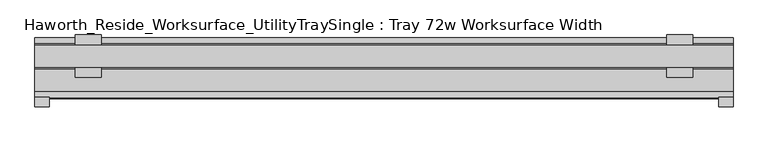
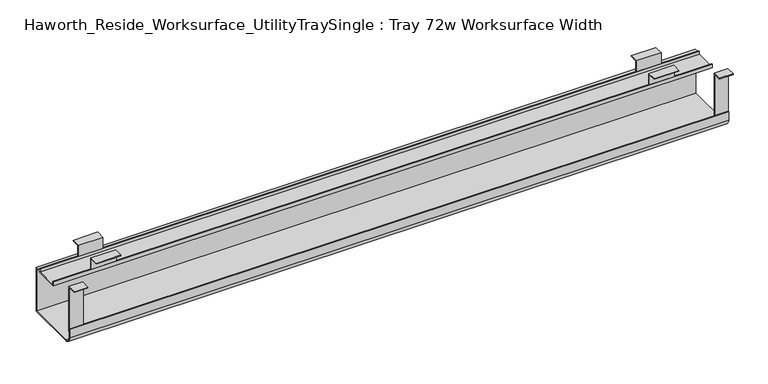
"""IFC4 building model written with IfcOpenShell, lengths in millimetres: furniture geometry, Haworth_Reside_Worksurface_UtilityTraySingle : Tray 72w Worksurface Width."""

from ifc_helpers import new_model, si_unit, point, frame, frame_2d, origin, place, context, project, spatial, polyline, circle_curve, trimmed, segment, composite_curve, outline, extrude, source, transform, mapped, element, save


def haworth_reside_worksurface_utilitytraysingle_tray_72w_bf733f7c(model_context):
    return source(origin(), model_context, "Body", "SweptSolid", [
        extrude(outline(polyline([(85.2804983, 731.8375), (85.2804983, 705.0616227), (83.6929983, 705.0616227), (83.6929983, 730.25), (64.1984987, 730.25), (64.1984987, 731.8375), (85.2804983, 731.8375)])), frame((692.94375, 0.0, 0.0), z_axis=(1.0, 0.0, 0.0), x_axis=(0.0, 1.0, 0.0)), (0.0, 0.0, 1.0), 57.15),
        extrude(outline(polyline([(136.0804991, 731.8375), (157.1625, 731.8375), (157.1625, 730.25), (137.6679991, 730.25), (137.6679991, 705.0616227), (136.0804991, 705.0616227), (136.0804991, 731.8375)])), frame((692.94375, 0.0, 0.0), z_axis=(1.0, 0.0, 0.0), x_axis=(0.0, 1.0, 0.0)), (0.0, 0.0, 1.0), 57.15),
        extrude(outline(polyline([(85.2804983, 731.8375), (85.2804983, 705.0616227), (83.6929983, 705.0616227), (83.6929983, 730.25), (64.1984987, 730.25), (64.1984987, 731.8375), (85.2804983, 731.8375)])), frame((-597.69375, 0.0, 0.0), z_axis=(1.0, 0.0, 0.0), x_axis=(0.0, 1.0, 0.0)), (0.0, 0.0, 1.0), 57.15),
        extrude(outline(polyline([(136.0804991, 731.8375), (157.1625, 731.8375), (157.1625, 730.25), (137.6679991, 730.25), (137.6679991, 705.0616227), (136.0804991, 705.0616227), (136.0804991, 731.8375)])), frame((-597.69375, 0.0, 0.0), z_axis=(1.0, 0.0, 0.0), x_axis=(0.0, 1.0, 0.0)), (0.0, 0.0, 1.0), 57.15),
        extrude(outline(polyline([(21.0438957, 731.8375), (21.0438957, 622.3673792), (19.4563957, 622.3673792), (19.4563957, 730.25), (0.0, 730.25), (0.0, 731.8375), (21.0438957, 731.8375)])), frame((806.45, 0.0, 0.0), z_axis=(1.0, 0.0, 0.0), x_axis=(0.0, 1.0, 0.0)), (0.0, 0.0, 1.0), 31.75),
        extrude(outline(polyline([(21.0438957, 731.8375), (21.0438957, 622.3673792), (19.4563957, 622.3673792), (19.4563957, 730.25), (0.0, 730.25), (0.0, 731.8375), (21.0438957, 731.8375)])), frame((-685.8, 0.0, 0.0), z_axis=(1.0, 0.0, 0.0), x_axis=(0.0, 1.0, 0.0)), (0.0, 0.0, 1.0), 31.75),
        extrude(outline(composite_curve([segment(polyline([(151.2189002, 592.1375), (33.7438957, 592.1375)]), True, "CONTINUOUS"), segment(trimmed(circle_curve(frame_2d((33.7438957, 608.0125)), 15.875), [point((33.7438957, 592.1375))], [point((17.8688957, 608.0125))], False, "CARTESIAN"), True, "CONTINUOUS"), segment(polyline([(17.8688957, 608.0125), (17.8688957, 629.0309801), (19.4563957, 629.0309801), (19.4563957, 608.0759608)]), True, "CONTINUOUS"), segment(trimmed(circle_curve(frame_2d((33.7438957, 608.0759608)), 14.2875), [point((19.4563957, 608.0759608))], [point((33.7438957, 593.7884608))], True, "CARTESIAN"), True, "CONTINUOUS"), segment(polyline([(33.7438957, 593.7884608), (149.6314002, 593.7884608), (149.6314002, 698.4364942), (137.6679991, 698.4364942), (137.6679991, 695.8584054), (83.6929983, 695.8584054), (83.6929983, 705.0616227), (85.2804983, 705.0616227), (85.2804983, 697.4459054), (136.0804991, 697.4459054), (136.0804991, 705.0616227), (137.6679991, 705.0616227), (137.6679991, 700.0239942), (151.2189002, 700.0239942), (151.2189002, 592.1375)]), True, "CONTINUOUS")], self_intersect=False)), frame((-685.8, 0.0, 0.0), z_axis=(1.0, 0.0, 0.0), x_axis=(0.0, 1.0, 0.0)), (0.0, 0.0, 1.0), 1524.0),
    ])


if __name__ == "__main__":
    model = new_model("IFC4")
    model_context = context("Model", 3, world=origin())
    ifc_project = project(units=[si_unit("LENGTHUNIT", "METRE", prefix="MILLI")], contexts=[model_context])
    site = spatial("IfcSite", under=ifc_project)
    building = spatial("IfcBuilding", under=site)
    placement = place(None, origin())
    haworth_reside_worksurface_utilitytraysingle_tray_72w_shape = haworth_reside_worksurface_utilitytraysingle_tray_72w_bf733f7c(model_context)
    element("IfcFurniture", 1, ObjectType="Haworth_Reside_Worksurface_UtilityTraySingle : Tray 72w Worksurface Width", at=placement, inside=building, context=model_context, shape_type="MappedRepresentation", body=[
        mapped(haworth_reside_worksurface_utilitytraysingle_tray_72w_shape, transform((0.0, 0.0, 0.0), x_axis=(1.0, 0.0, 0.0), y_axis=(0.0, 1.0, 0.0), z_axis=(0.0, 0.0, 1.0))),
    ])
    save(model, "model.ifc")
